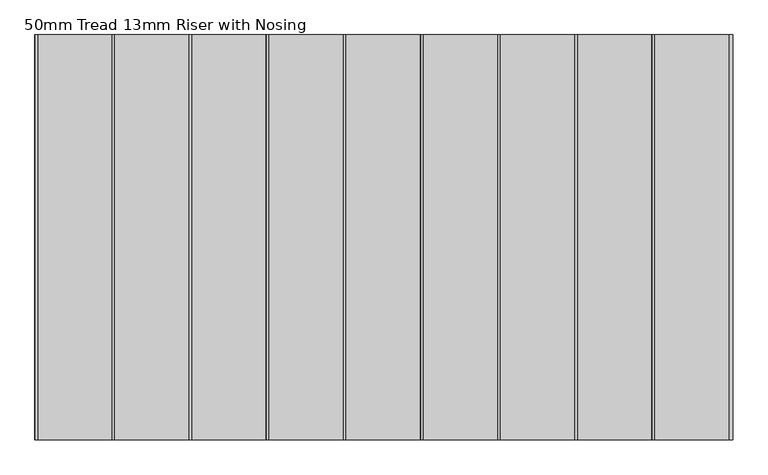
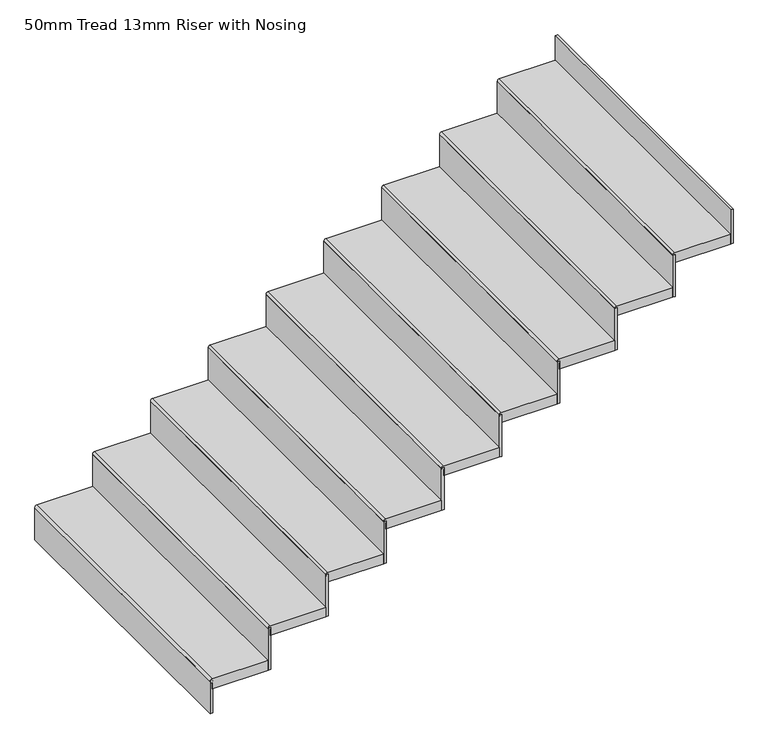
"""IFC4 building model written with IfcOpenShell, lengths in millimetres: stair flight geometry, 50mm Tread 13mm Riser with Nosing."""

from ifc_helpers import new_model, si_unit, point, frame, frame_2d, origin, place, context, project, spatial, polyline, circle_curve, trimmed, segment, composite_curve, outline, extrude, source, transform, mapped, element, save


def stair_flight_50mm_tread_13mm_riser_with_nosing_b89ef562(model_context):
    return source(origin(), model_context, "Body", "SweptSolid", [
        extrude(outline(composite_curve([segment(polyline([(3675.0, -23460.801725), (3675.0, -23730.801725)]), True, "CONTINUOUS"), segment(trimmed(circle_curve(frame_2d((3665.0, -23730.801725)), 10.0), [point((3675.0, -23730.801725))], [point((3655.0, -23730.801725))], False, "CARTESIAN"), True, "CONTINUOUS"), segment(polyline([(3655.0, -23730.801725), (3625.0, -23730.801725), (3625.0, -23460.801725), (3675.0, -23460.801725)]), True, "CONTINUOUS")], self_intersect=False)), frame((0.0, 15776.3068866, 0.0), z_axis=(0.0, 1.0, 0.0), x_axis=(0.0, 0.0, 1.0)), (0.0, 0.0, 1.0), 1470.3626678),
        extrude(outline(polyline([(-23728.301725, 15776.3068866), (-23740.801725, 15776.3068866), (-23740.801725, 17246.6695544), (-23728.301725, 17246.6695544), (-23728.301725, 15776.3068866)])), frame((0.0, 0.0, 3500.0), z_axis=(0.0, 0.0, 1.0), x_axis=(1.0, 0.0, 0.0)), (0.0, 0.0, 1.0), 165.0),
        extrude(outline(polyline([(-23448.301725, 15776.3068866), (-23460.801725, 15776.3068866), (-23460.801725, 17246.6695544), (-23448.301725, 17246.6695544), (-23448.301725, 15776.3068866)])), frame((0.0, 0.0, 3625.0), z_axis=(0.0, 0.0, 1.0), x_axis=(1.0, 0.0, 0.0)), (0.0, 0.0, 1.0), 215.0),
        extrude(outline(composite_curve([segment(polyline([(3850.0, -23180.801725), (3850.0, -23450.801725)]), True, "CONTINUOUS"), segment(trimmed(circle_curve(frame_2d((3840.0, -23450.801725)), 10.0), [point((3850.0, -23450.801725))], [point((3830.0, -23450.801725))], False, "CARTESIAN"), True, "CONTINUOUS"), segment(polyline([(3830.0, -23450.801725), (3800.0, -23450.801725), (3800.0, -23180.801725), (3850.0, -23180.801725)]), True, "CONTINUOUS")], self_intersect=False)), frame((0.0, 15776.3068866, 0.0), z_axis=(0.0, 1.0, 0.0), x_axis=(0.0, 0.0, 1.0)), (0.0, 0.0, 1.0), 1470.3626678),
        extrude(outline(polyline([(-23168.301725, 15776.3068866), (-23180.801725, 15776.3068866), (-23180.801725, 17246.6695544), (-23168.301725, 17246.6695544), (-23168.301725, 15776.3068866)])), frame((0.0, 0.0, 3800.0), z_axis=(0.0, 0.0, 1.0), x_axis=(1.0, 0.0, 0.0)), (0.0, 0.0, 1.0), 215.0),
        extrude(outline(composite_curve([segment(polyline([(4025.0, -22900.801725), (4025.0, -23170.801725)]), True, "CONTINUOUS"), segment(trimmed(circle_curve(frame_2d((4015.0, -23170.801725)), 10.0), [point((4025.0, -23170.801725))], [point((4005.0, -23170.801725))], False, "CARTESIAN"), True, "CONTINUOUS"), segment(polyline([(4005.0, -23170.801725), (3975.0, -23170.801725), (3975.0, -22900.801725), (4025.0, -22900.801725)]), True, "CONTINUOUS")], self_intersect=False)), frame((0.0, 15776.3068866, 0.0), z_axis=(0.0, 1.0, 0.0), x_axis=(0.0, 0.0, 1.0)), (0.0, 0.0, 1.0), 1470.3626678),
        extrude(outline(polyline([(-22888.301725, 15776.3068866), (-22900.801725, 15776.3068866), (-22900.801725, 17246.6695544), (-22888.301725, 17246.6695544), (-22888.301725, 15776.3068866)])), frame((0.0, 0.0, 3975.0), z_axis=(0.0, 0.0, 1.0), x_axis=(1.0, 0.0, 0.0)), (0.0, 0.0, 1.0), 215.0),
        extrude(outline(composite_curve([segment(polyline([(4200.0, -22620.801725), (4200.0, -22890.801725)]), True, "CONTINUOUS"), segment(trimmed(circle_curve(frame_2d((4190.0, -22890.801725)), 10.0), [point((4200.0, -22890.801725))], [point((4180.0, -22890.801725))], False, "CARTESIAN"), True, "CONTINUOUS"), segment(polyline([(4180.0, -22890.801725), (4150.0, -22890.801725), (4150.0, -22620.801725), (4200.0, -22620.801725)]), True, "CONTINUOUS")], self_intersect=False)), frame((0.0, 15776.3068866, 0.0), z_axis=(0.0, 1.0, 0.0), x_axis=(0.0, 0.0, 1.0)), (0.0, 0.0, 1.0), 1470.3626678),
        extrude(outline(polyline([(-22608.301725, 15776.3068866), (-22620.801725, 15776.3068866), (-22620.801725, 17246.6695544), (-22608.301725, 17246.6695544), (-22608.301725, 15776.3068866)])), frame((0.0, 0.0, 4150.0), z_axis=(0.0, 0.0, 1.0), x_axis=(1.0, 0.0, 0.0)), (0.0, 0.0, 1.0), 215.0),
        extrude(outline(composite_curve([segment(polyline([(4375.0, -22340.801725), (4375.0, -22610.801725)]), True, "CONTINUOUS"), segment(trimmed(circle_curve(frame_2d((4365.0, -22610.801725)), 10.0), [point((4375.0, -22610.801725))], [point((4355.0, -22610.801725))], False, "CARTESIAN"), True, "CONTINUOUS"), segment(polyline([(4355.0, -22610.801725), (4325.0, -22610.801725), (4325.0, -22340.801725), (4375.0, -22340.801725)]), True, "CONTINUOUS")], self_intersect=False)), frame((0.0, 15776.3068866, 0.0), z_axis=(0.0, 1.0, 0.0), x_axis=(0.0, 0.0, 1.0)), (0.0, 0.0, 1.0), 1470.3626678),
        extrude(outline(polyline([(-22328.301725, 15776.3068866), (-22340.801725, 15776.3068866), (-22340.801725, 17246.6695544), (-22328.301725, 17246.6695544), (-22328.301725, 15776.3068866)])), frame((0.0, 0.0, 4325.0), z_axis=(0.0, 0.0, 1.0), x_axis=(1.0, 0.0, 0.0)), (0.0, 0.0, 1.0), 215.0),
        extrude(outline(composite_curve([segment(polyline([(4550.0, -22060.801725), (4550.0, -22330.801725)]), True, "CONTINUOUS"), segment(trimmed(circle_curve(frame_2d((4540.0, -22330.801725)), 10.0), [point((4550.0, -22330.801725))], [point((4530.0, -22330.801725))], False, "CARTESIAN"), True, "CONTINUOUS"), segment(polyline([(4530.0, -22330.801725), (4500.0, -22330.801725), (4500.0, -22060.801725), (4550.0, -22060.801725)]), True, "CONTINUOUS")], self_intersect=False)), frame((0.0, 15776.3068866, 0.0), z_axis=(0.0, 1.0, 0.0), x_axis=(0.0, 0.0, 1.0)), (0.0, 0.0, 1.0), 1470.3626678),
        extrude(outline(polyline([(-22048.301725, 15776.3068866), (-22060.801725, 15776.3068866), (-22060.801725, 17246.6695544), (-22048.301725, 17246.6695544), (-22048.301725, 15776.3068866)])), frame((0.0, 0.0, 4500.0), z_axis=(0.0, 0.0, 1.0), x_axis=(1.0, 0.0, 0.0)), (0.0, 0.0, 1.0), 215.0),
        extrude(outline(composite_curve([segment(polyline([(4725.0, -21780.801725), (4725.0, -22050.801725)]), True, "CONTINUOUS"), segment(trimmed(circle_curve(frame_2d((4715.0, -22050.801725)), 10.0), [point((4725.0, -22050.801725))], [point((4705.0, -22050.801725))], False, "CARTESIAN"), True, "CONTINUOUS"), segment(polyline([(4705.0, -22050.801725), (4675.0, -22050.801725), (4675.0, -21780.801725), (4725.0, -21780.801725)]), True, "CONTINUOUS")], self_intersect=False)), frame((0.0, 15776.3068866, 0.0), z_axis=(0.0, 1.0, 0.0), x_axis=(0.0, 0.0, 1.0)), (0.0, 0.0, 1.0), 1470.3626678),
        extrude(outline(polyline([(-21768.301725, 15776.3068866), (-21780.801725, 15776.3068866), (-21780.801725, 17246.6695544), (-21768.301725, 17246.6695544), (-21768.301725, 15776.3068866)])), frame((0.0, 0.0, 4675.0), z_axis=(0.0, 0.0, 1.0), x_axis=(1.0, 0.0, 0.0)), (0.0, 0.0, 1.0), 215.0),
        extrude(outline(composite_curve([segment(polyline([(4900.0, -21500.801725), (4900.0, -21770.801725)]), True, "CONTINUOUS"), segment(trimmed(circle_curve(frame_2d((4890.0, -21770.801725)), 10.0), [point((4900.0, -21770.801725))], [point((4880.0, -21770.801725))], False, "CARTESIAN"), True, "CONTINUOUS"), segment(polyline([(4880.0, -21770.801725), (4850.0, -21770.801725), (4850.0, -21500.801725), (4900.0, -21500.801725)]), True, "CONTINUOUS")], self_intersect=False)), frame((0.0, 15776.3068866, 0.0), z_axis=(0.0, 1.0, 0.0), x_axis=(0.0, 0.0, 1.0)), (0.0, 0.0, 1.0), 1470.3626678),
        extrude(outline(polyline([(-21488.301725, 15776.3068866), (-21500.801725, 15776.3068866), (-21500.801725, 17246.6695544), (-21488.301725, 17246.6695544), (-21488.301725, 15776.3068866)])), frame((0.0, 0.0, 4850.0), z_axis=(0.0, 0.0, 1.0), x_axis=(1.0, 0.0, 0.0)), (0.0, 0.0, 1.0), 215.0),
        extrude(outline(polyline([(-21208.301725, 15776.3068866), (-21220.801725, 15776.3068866), (-21220.801725, 17246.6695544), (-21208.301725, 17246.6695544), (-21208.301725, 15776.3068866)])), frame((0.0, 0.0, 5025.0), z_axis=(0.0, 0.0, 1.0), x_axis=(1.0, 0.0, 0.0)), (0.0, 0.0, 1.0), 175.0),
        extrude(outline(composite_curve([segment(polyline([(5075.0, -21220.801725), (5075.0, -21490.801725)]), True, "CONTINUOUS"), segment(trimmed(circle_curve(frame_2d((5065.0, -21490.801725)), 10.0), [point((5075.0, -21490.801725))], [point((5055.0, -21490.801725))], False, "CARTESIAN"), True, "CONTINUOUS"), segment(polyline([(5055.0, -21490.801725), (5025.0, -21490.801725), (5025.0, -21220.801725), (5075.0, -21220.801725)]), True, "CONTINUOUS")], self_intersect=False)), frame((0.0, 15776.3068866, 0.0), z_axis=(0.0, 1.0, 0.0), x_axis=(0.0, 0.0, 1.0)), (0.0, 0.0, 1.0), 1470.3626678),
    ])


if __name__ == "__main__":
    model = new_model("IFC4")
    model_context = context("Model", 3, world=origin())
    ifc_project = project(units=[si_unit("LENGTHUNIT", "METRE", prefix="MILLI")], contexts=[model_context])
    site = spatial("IfcSite", under=ifc_project)
    building = spatial("IfcBuilding", under=site)
    placement = place(None, origin())
    stair_flight_50mm_tread_13mm_riser_with_nosing_shape = stair_flight_50mm_tread_13mm_riser_with_nosing_b89ef562(model_context)
    element("IfcStairFlight", 1, ObjectType="50mm Tread 13mm Riser with Nosing", at=placement, inside=building, context=model_context, shape_type="MappedRepresentation", body=[
        mapped(stair_flight_50mm_tread_13mm_riser_with_nosing_shape, transform((0.0, 0.0, 0.0), x_axis=(1.0, 0.0, 0.0), y_axis=(0.0, 1.0, 0.0), z_axis=(0.0, 0.0, 1.0))),
    ])
    save(model, "model.ifc")
